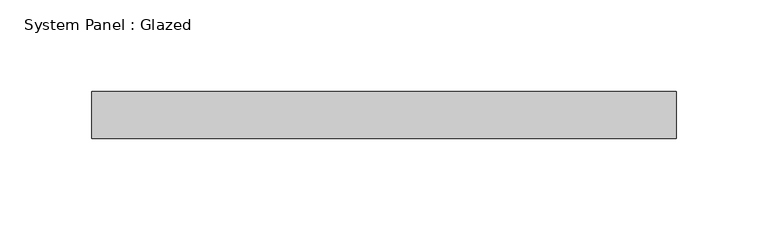
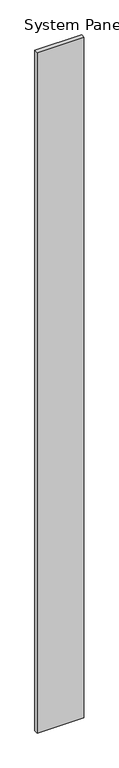
"""IFC4 building model written with IfcOpenShell, lengths in millimetres: plate geometry, System Panel : Glazed."""

from ifc_helpers import new_model, si_unit, origin, origin_with_axes, place, context, project, spatial, polyline, outline, extrude, source, transform, mapped, element, save


def system_panel_glazed_69a391e0(model_context):
    return source(origin(), model_context, "Body", "SweptSolid", [
        extrude(outline(polyline([(158.7499998, 19.05), (-158.7499998, 19.05), (-158.7499998, 44.45), (158.7499998, 44.45), (158.7499998, 19.05)])), origin_with_axes(), (0.0, 0.0, 1.0), 4876.8),
    ])


if __name__ == "__main__":
    model = new_model("IFC4")
    model_context = context("Model", 3, world=origin())
    ifc_project = project(units=[si_unit("LENGTHUNIT", "METRE", prefix="MILLI")], contexts=[model_context])
    site = spatial("IfcSite", under=ifc_project)
    building = spatial("IfcBuilding", under=site)
    placement = place(None, origin())
    system_panel_glazed_shape = system_panel_glazed_69a391e0(model_context)
    element("IfcPlate", 1, ObjectType="System Panel : Glazed", at=placement, inside=building, context=model_context, shape_type="MappedRepresentation", body=[
        mapped(system_panel_glazed_shape, transform((0.0, 0.0, 0.0), x_axis=(1.0, 0.0, 0.0), y_axis=(0.0, 1.0, 0.0), z_axis=(0.0, 0.0, 1.0))),
    ])
    save(model, "model.ifc")
